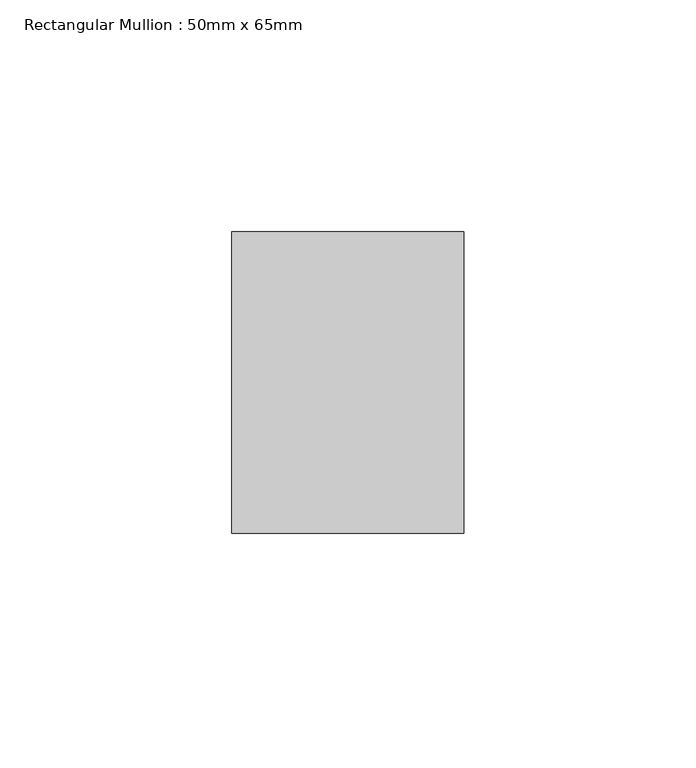
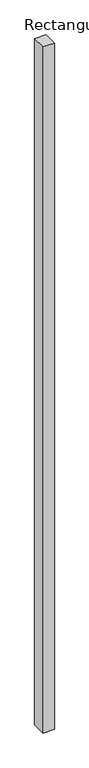
"""IFC4 building model written with IfcOpenShell, lengths in millimetres: member geometry, Rectangular Mullion : 50mm x 65mm."""

from ifc_helpers import new_model, si_unit, frame, origin, place, context, project, spatial, polyline, outline, extrude, source, transform, mapped, element, save


def rectangular_mullion_50mm_x_65mm_e048223c(model_context):
    return source(origin(), model_context, "Body", "SweptSolid", [
        extrude(outline(polyline([(25.0, 32.5), (25.0, -32.5), (-25.0, -32.5), (-25.0, 32.5), (25.0, 32.5)])), frame((0.0, 0.0, -3235.267377), z_axis=(0.0, 0.0, 1.0), x_axis=(1.0, 0.0, 0.0)), (0.0, 0.0, 1.0), 3235.267377),
    ])


if __name__ == "__main__":
    model = new_model("IFC4")
    model_context = context("Model", 3, world=origin())
    ifc_project = project(units=[si_unit("LENGTHUNIT", "METRE", prefix="MILLI")], contexts=[model_context])
    site = spatial("IfcSite", under=ifc_project)
    building = spatial("IfcBuilding", under=site)
    placement = place(None, origin())
    rectangular_mullion_50mm_x_65mm_shape = rectangular_mullion_50mm_x_65mm_e048223c(model_context)
    element("IfcMember", 1, ObjectType="Rectangular Mullion : 50mm x 65mm", at=placement, inside=building, context=model_context, shape_type="MappedRepresentation", body=[
        mapped(rectangular_mullion_50mm_x_65mm_shape, transform((0.0, 0.0, 0.0), x_axis=(1.0, 0.0, 0.0), y_axis=(0.0, 1.0, 0.0), z_axis=(0.0, 0.0, 1.0))),
    ])
    save(model, "model.ifc")
